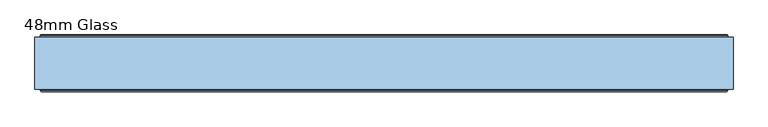
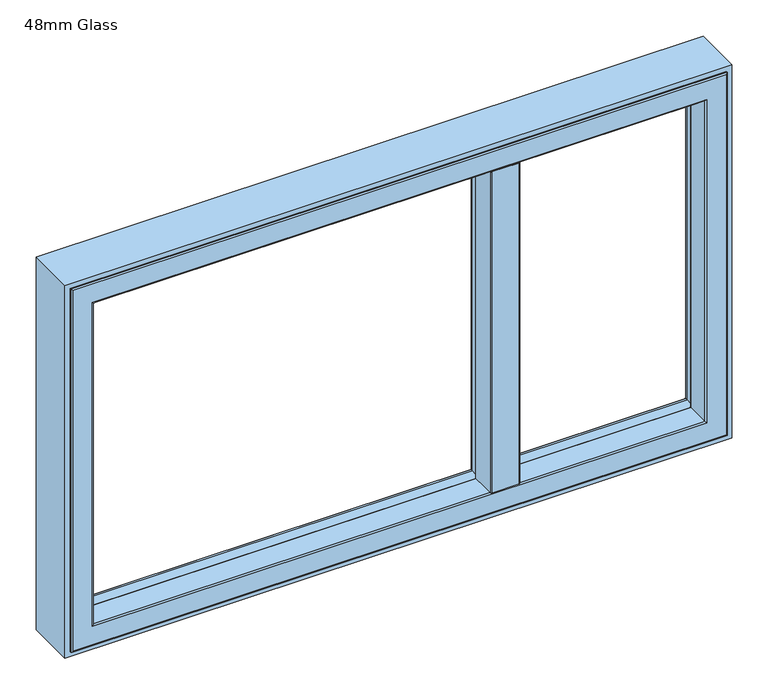
"""IFC4 building model written with IfcOpenShell, lengths in millimetres: window geometry, 48mm Glass."""

from ifc_helpers import new_model, si_unit, frame, origin, place, context, project, spatial, polyline, circle_curve, ellipse_curve, outline, extrude, source, transform, mapped, element, save
from ifc_brep_helpers import plane_surface, cylinder_surface, revolved_surface, advanced_brep


def window_48mm_glass_a3828046(model_context):
    return source(origin(), model_context, "Body", "SolidModel", [
        advanced_brep(
        [(221.6729121, 91.0, 862.0), (205.0, 91.0, 862.0), (205.0, 91.0, 1626.0), (221.6729121, 91.0, 1626.0), (205.0, 35.0, 862.0), (205.0, 35.0, 1626.0), (208.0, 32.0, 862.0), (268.0, 32.0, 862.0), (268.0, 32.0, 1626.0), (208.0, 32.0, 1626.0), (271.0, 35.0, 862.0), (271.0, 91.0, 862.0), (271.0, 91.0, 1626.0), (271.0, 35.0, 1626.0), (254.3270879, 91.0, 862.0), (254.3270879, 91.0, 1626.0), (252.8419376, 92.2894565, 843.8416747), (246.1893048, 146.5609347, 837.177975), (246.1893048, 146.5609347, 1650.822025), (252.8419376, 92.2894565, 1644.1583253), (229.8106952, 146.5609347, 837.177975), (223.1580624, 92.2894565, 843.8416747), (223.1580624, 92.2894565, 1644.1583253), (229.8106952, 146.5609347, 1650.822025), (221.6729121, 91.0, 844.0), (254.3270879, 91.0, 844.0), (245.4, 153.0, 836.4), (230.6, 153.0, 836.4), (231.6, 154.0, 836.4), (244.4, 154.0, 836.4), (230.6, 148.3029671, 836.9640803), (245.4, 148.3029671, 836.9640803), (254.3270879, 91.0, 1644.0), (221.6729121, 91.0, 1644.0), (230.6, 153.0, 1651.6), (245.4, 153.0, 1651.6), (244.4, 154.0, 1651.6), (231.6, 154.0, 1651.6), (245.4, 148.3029671, 1651.0359197), (230.6, 148.3029671, 1651.0359197)],
        [
            (0, 1),
            (1, 2),
            (2, 3),
            (3, 0),
            (1, 4),
            (4, 5),
            (5, 2),
            (6, 7),
            (7, 8),
            (8, 9),
            (9, 6),
            (10, 11),
            (11, 12),
            (12, 13),
            (13, 10),
            (11, 14),
            (14, 15),
            (15, 12),
            (16, 17),
            (17, 18),
            (18, 19),
            (19, 16),
            (20, 21),
            (21, 22),
            (22, 23),
            (23, 20),
            (14, 0),
            (0, 24),
            (24, 25),
            (25, 14),
            (10, 7, circle_curve(frame((268.0, 35.0, 862.0), z_axis=(0.0, 0.0, -1.0), x_axis=(1.0, 0.0, 0.0)), 3.0)),
            (6, 4, circle_curve(frame((208.0, 35.0, 862.0), z_axis=(0.0, 0.0, -1.0), x_axis=(1.0, 0.0, 0.0)), 3.0)),
            (26, 27),
            (27, 28, circle_curve(frame((231.6, 153.0, 836.4), z_axis=(0.0, 0.0, -1.0), x_axis=(1.0, 0.0, 0.0)), 1.0)),
            (28, 29),
            (29, 26, circle_curve(frame((244.4, 153.0, 836.4), z_axis=(0.0, 0.0, -1.0), x_axis=(1.0, 0.0, 0.0)), 1.0)),
            (24, 21, ellipse_curve(frame((221.6729121, 92.5, 843.8158232), z_axis=(0.0, 0.12186934340514982, 0.9925461516413218), x_axis=(0.0, 0.992546151641322, -0.12186934340514925)), 1.5112647, 1.5)),
            (20, 30),
            (30, 27),
            (26, 31),
            (31, 17),
            (16, 25, ellipse_curve(frame((254.3270879, 92.5, 843.8158232), z_axis=(0.0, 0.12186934340514982, 0.9925461516413218), x_axis=(0.0, 0.992546151641322, -0.12186934340514925)), 1.5112647, 1.5)),
            (3, 15),
            (15, 32),
            (32, 33),
            (33, 3),
            (5, 9, circle_curve(frame((208.0, 35.0, 1626.0), z_axis=(0.0, 0.0, 1.0), x_axis=(1.0, 0.0, 0.0)), 3.0)),
            (8, 13, circle_curve(frame((268.0, 35.0, 1626.0), z_axis=(0.0, 0.0, 1.0), x_axis=(1.0, 0.0, 0.0)), 3.0)),
            (34, 35),
            (35, 36, circle_curve(frame((244.4, 153.0, 1651.6), z_axis=(0.0, 0.0, 1.0), x_axis=(1.0, 0.0, 0.0)), 1.0)),
            (36, 37),
            (37, 34, circle_curve(frame((231.6, 153.0, 1651.6), z_axis=(0.0, 0.0, 1.0), x_axis=(1.0, 0.0, 0.0)), 1.0)),
            (32, 19, ellipse_curve(frame((254.3270879, 92.5, 1644.1841768), z_axis=(0.0, 0.12186934340515176, -0.9925461516413215), x_axis=(0.0, -0.9925461516413217, -0.12186934340515095)), 1.5112647, 1.5)),
            (18, 38),
            (38, 35),
            (34, 39),
            (39, 23),
            (22, 33, ellipse_curve(frame((221.6729121, 92.5, 1644.1841768), z_axis=(0.0, 0.12186934340515176, -0.9925461516413215), x_axis=(0.0, -0.9925461516413217, -0.12186934340515095)), 1.5112647, 1.5)),
            (31, 38),
            (26, 35),
            (29, 36),
            (28, 37),
            (27, 34),
            (30, 39),
        ],
        [
            plane_surface(frame((221.6729121, 91.0, 1676.0), z_axis=(0.0, 1.0, 0.0), x_axis=(0.0, 0.0, -1.0))),
            plane_surface(frame((205.0, 91.0, 1676.0), z_axis=(-1.0, 0.0, 0.0), x_axis=(0.0, 0.0, -1.0))),
            plane_surface(frame((208.0, 32.0, 1676.0), z_axis=(0.0, -1.0, 0.0), x_axis=(0.0, 0.0, -1.0))),
            plane_surface(frame((271.0, 35.0, 1676.0), z_axis=(1.0, 0.0, 0.0), x_axis=(0.0, 0.0, -1.0))),
            plane_surface(frame((271.0, 91.0, 1676.0), z_axis=(0.0, 1.0, 0.0), x_axis=(0.0, 0.0, -1.0))),
            plane_surface(frame((252.8419376, 92.2894565, 1676.0), z_axis=(0.992570614202236, 0.12166994625706033, 0.0), x_axis=(0.0, 0.0, -1.0))),
            plane_surface(frame((229.8106952, 146.5609347, 1676.0), z_axis=(-0.9925706142022382, 0.1216699462570421, 0.0), x_axis=(0.0, 0.0, -1.0))),
            plane_surface(frame((488.0, 91.0, 844.0), z_axis=(0.0, -1.0, 0.0), x_axis=(-1.0, 0.0, 0.0))),
            plane_surface(frame((488.0, 91.0, 862.0), z_axis=(0.0, 0.0, -1.0), x_axis=(-1.0, 0.0, 0.0))),
            plane_surface(frame((488.0, 154.0, 836.4), z_axis=(0.0, 0.0, -1.0), x_axis=(-1.0, 0.0, 0.0))),
            plane_surface(frame((488.0, 152.8970329, 836.4), z_axis=(0.0, -0.12186934340514982, -0.9925461516413218), x_axis=(-1.0, 0.0, 0.0))),
            plane_surface(frame((488.0, 91.0, 1626.0), z_axis=(0.0, -1.0, 0.0), x_axis=(-1.0, 0.0, 0.0))),
            plane_surface(frame((488.0, 32.0, 1626.0), z_axis=(0.0, 0.0, 1.0), x_axis=(-1.0, 0.0, 0.0))),
            plane_surface(frame((488.0, 152.8970329, 1651.6), z_axis=(0.0, 0.0, 1.0), x_axis=(-1.0, 0.0, 0.0))),
            plane_surface(frame((488.0, 91.0, 1644.0), z_axis=(0.0, -0.12186934340515176, 0.9925461516413215), x_axis=(-1.0, 0.0, 0.0))),
            revolved_surface(polyline([(223.1729121, 92.5, 843.6316463632995), (223.1729121, 92.5, 1644.3683536367002)]), (221.6729121, 92.5, 812.0), (0.0, 0.0, -1.0)),
            cylinder_surface(frame((208.0, 35.0, 812.0), z_axis=(0.0, 0.0, 1.0), x_axis=(1.0, 0.0, 0.0)), 3.0),
            cylinder_surface(frame((268.0, 35.0, 812.0), z_axis=(0.0, 0.0, 1.0), x_axis=(1.0, 0.0, 0.0)), 3.0),
            revolved_surface(polyline([(255.8270879, 92.5, 843.6316463632995), (255.8270879, 92.5, 1644.3683536367002)]), (254.3270879, 92.5, 812.0), (0.0, 0.0, -1.0)),
            plane_surface(frame((246.1893048, 146.5609347, 1676.0), z_axis=(0.9108637981505031, 0.4127070888885235, 0.0), x_axis=(0.0, 0.0, -1.0))),
            plane_surface(frame((245.4, 148.3029671, 1676.0), z_axis=(1.0, 0.0, 0.0), x_axis=(0.0, 0.0, -1.0))),
            cylinder_surface(frame((244.4, 153.0, 812.0), z_axis=(0.0, 0.0, 1.0), x_axis=(1.0, 0.0, 0.0)), 1.0),
            plane_surface(frame((244.4, 154.0, 1676.0), z_axis=(0.0, 1.0, 0.0), x_axis=(0.0, 0.0, -1.0))),
            cylinder_surface(frame((231.6, 153.0, 812.0), z_axis=(0.0, 0.0, 1.0), x_axis=(1.0, 0.0, 0.0)), 1.0),
            plane_surface(frame((230.6, 153.0, 1676.0), z_axis=(-1.0, 0.0, 0.0), x_axis=(0.0, 0.0, -1.0))),
            plane_surface(frame((230.6, 148.3029671, 1676.0), z_axis=(-0.9108637981452258, 0.41270708890017077, 0.0), x_axis=(0.0, 0.0, -1.0))),
        ],
        [
            (0, [[1, 2, 3, 4]]),
            (1, [[5, 6, 7, -2]]),
            (2, [[8, 9, 10, 11]]),
            (3, [[12, 13, 14, 15]]),
            (4, [[16, 17, 18, -13]]),
            (5, [[19, 20, 21, 22]]),
            (6, [[23, 24, 25, 26]]),
            (7, [[27, 28, 29, 30]]),
            (8, [[-27, -16, -12, 31, -8, 32, -5, -1]]),
            (9, [[33, 34, 35, 36]]),
            (10, [[-29, 37, -23, 38, 39, -33, 40, 41, -19, 42]]),
            (11, [[43, 44, 45, 46]]),
            (12, [[-43, -3, -7, 47, -10, 48, -14, -18]]),
            (13, [[49, 50, 51, 52]]),
            (14, [[-45, 53, -21, 54, 55, -49, 56, 57, -25, 58]]),
            (15, [[-28, -4, -46, -58, -24, -37]]),
            (16, [[-32, -11, -47, -6]]),
            (17, [[-31, -15, -48, -9]]),
            (18, [[-30, -42, -22, -53, -44, -17]]),
            (19, [[-41, 59, -54, -20]]),
            (20, [[-40, 60, -55, -59]]),
            (21, [[-36, 61, -50, -60]]),
            (22, [[-35, 62, -51, -61]]),
            (23, [[-34, 63, -52, -62]]),
            (24, [[-39, 64, -56, -63]]),
            (25, [[-38, -26, -57, -64]]),
        ],
    ),
        advanced_brep(
        [(-689.5, 91.0, 1627.5), (-688.0, 89.5, 1626.0), (-688.0, 89.5, 862.0), (-689.5, 91.0, 860.5), (-688.0, 35.0, 1626.0), (-688.0, 35.0, 862.0), (688.0, 89.5, 862.0), (689.5, 91.0, 860.5), (704.6498733, 91.0, 1642.6498733), (704.6498733, 91.0, 845.3501267), (-704.6498733, 91.0, 845.3501267), (-704.6498733, 91.0, 1642.6498733), (689.5, 91.0, 1627.5), (-706.1386925, 92.317196, 1644.1386925), (-706.1386925, 92.317196, 843.8613075), (706.1386925, 92.317196, 843.8613075), (-712.7857488, 146.453125, 1650.7857488), (-712.7857488, 146.453125, 837.2142512), (712.7857488, 146.453125, 837.2142512), (713.6, 146.453125, 1651.6), (713.6, 146.453125, 836.4), (-713.6, 146.453125, 836.4), (-713.6, 146.453125, 1651.6), (712.7857488, 146.453125, 1650.7857488), (-713.6, 153.0, 1651.6), (-713.6, 153.0, 836.4), (713.6, 153.0, 836.4), (-714.6, 154.0, 1652.6), (-714.6, 154.0, 835.4), (714.6, 154.0, 835.4), (737.0, 154.0, 1675.0), (737.0, 154.0, 813.0), (-737.0, 154.0, 813.0), (-737.0, 154.0, 1675.0), (714.6, 154.0, 1652.6), (-738.0, 153.0, 1676.0), (-738.0, 153.0, 812.0), (738.0, 153.0, 812.0), (-738.0, 35.0, 1676.0), (-738.0, 35.0, 812.0), (738.0, 35.0, 812.0), (-735.0, 32.0, 1673.0), (-735.0, 32.0, 815.0), (735.0, 32.0, 815.0), (735.0, 32.0, 1673.0), (691.0, 32.0, 1629.0), (691.0, 32.0, 859.0), (-691.0, 32.0, 859.0), (-691.0, 32.0, 1629.0), (688.0, 35.0, 862.0), (688.0, 89.5, 1626.0), (706.1386925, 92.317196, 1644.1386925), (713.6, 153.0, 1651.6), (738.0, 153.0, 1676.0), (738.0, 35.0, 1676.0), (688.0, 35.0, 1626.0)],
        [
            (0, 1, ellipse_curve(frame((-689.5, 89.5, 1627.5), z_axis=(-0.7071067811865475, 0.0, -0.7071067811865475), x_axis=(-0.7071067811865474, 0.0, 0.7071067811865476)), 2.1213203, 1.5)),
            (1, 2),
            (2, 3, ellipse_curve(frame((-689.5, 89.5, 860.5), z_axis=(-0.7071067811865475, 0.0, 0.7071067811865475), x_axis=(0.7071067811865474, 0.0, 0.7071067811865476)), 2.1213203, 1.5)),
            (3, 0),
            (1, 4),
            (4, 5),
            (5, 2),
            (2, 6),
            (6, 7, ellipse_curve(frame((689.5, 89.5, 860.5), z_axis=(-0.7071067811865475, 0.0, -0.7071067811865475), x_axis=(-0.7071067811865476, 0.0, 0.7071067811865474)), 2.1213203, 1.5)),
            (7, 3),
            (8, 9),
            (9, 10),
            (10, 11),
            (11, 8),
            (7, 12),
            (12, 0),
            (13, 11, ellipse_curve(frame((-704.6498733, 92.5, 1642.6498733), z_axis=(0.7071067811865475, 0.0, 0.7071067811865475), x_axis=(0.7071067811865474, 0.0, -0.7071067811865476)), 2.1213203, 1.5)),
            (10, 14, ellipse_curve(frame((-704.6498733, 92.5, 845.3501267), z_axis=(0.7071067811865475, 0.0, -0.7071067811865475), x_axis=(-0.7071067811865474, 0.0, -0.7071067811865476)), 2.1213203, 1.5)),
            (14, 13),
            (9, 15, ellipse_curve(frame((704.6498733, 92.5, 845.3501267), z_axis=(0.7071067811865475, 0.0, 0.7071067811865475), x_axis=(0.7071067811865476, 0.0, -0.7071067811865474)), 2.1213203, 1.5)),
            (15, 14),
            (16, 13),
            (14, 17),
            (17, 16),
            (15, 18),
            (18, 17),
            (19, 20),
            (20, 21),
            (21, 22),
            (22, 19),
            (18, 23),
            (23, 16),
            (24, 22),
            (21, 25),
            (25, 24),
            (20, 26),
            (26, 25),
            (27, 24, ellipse_curve(frame((-714.6, 153.0, 1652.6), z_axis=(-0.7071067811865475, 0.0, -0.7071067811865475), x_axis=(-0.7071067811865474, 0.0, 0.7071067811865476)), 1.4142136, 1.0)),
            (25, 28, ellipse_curve(frame((-714.6, 153.0, 835.4), z_axis=(-0.7071067811865475, 0.0, 0.7071067811865475), x_axis=(0.7071067811865474, 0.0, 0.7071067811865476)), 1.4142136, 1.0)),
            (28, 27),
            (26, 29, ellipse_curve(frame((714.6, 153.0, 835.4), z_axis=(-0.7071067811865475, 0.0, -0.7071067811865475), x_axis=(-0.7071067811865476, 0.0, 0.7071067811865474)), 1.4142136, 1.0)),
            (29, 28),
            (30, 31),
            (31, 32),
            (32, 33),
            (33, 30),
            (29, 34),
            (34, 27),
            (35, 33, ellipse_curve(frame((-737.0, 153.0, 1675.0), z_axis=(-0.7071067811865475, 0.0, -0.7071067811865475), x_axis=(-0.7071067811865474, 0.0, 0.7071067811865476)), 1.4142136, 1.0)),
            (32, 36, ellipse_curve(frame((-737.0, 153.0, 813.0), z_axis=(-0.7071067811865475, 0.0, 0.7071067811865475), x_axis=(0.7071067811865474, 0.0, 0.7071067811865476)), 1.4142136, 1.0)),
            (36, 35),
            (31, 37, ellipse_curve(frame((737.0, 153.0, 813.0), z_axis=(-0.7071067811865475, 0.0, -0.7071067811865475), x_axis=(-0.7071067811865476, 0.0, 0.7071067811865474)), 1.4142136, 1.0)),
            (37, 36),
            (38, 35),
            (36, 39),
            (39, 38),
            (37, 40),
            (40, 39),
            (41, 38, ellipse_curve(frame((-735.0, 35.0, 1673.0), z_axis=(-0.7071067811865475, 0.0, -0.7071067811865475), x_axis=(-0.7071067811865474, 0.0, 0.7071067811865476)), 4.2426407, 3.0)),
            (39, 42, ellipse_curve(frame((-735.0, 35.0, 815.0), z_axis=(-0.7071067811865475, 0.0, 0.7071067811865475), x_axis=(0.7071067811865474, 0.0, 0.7071067811865476)), 4.2426407, 3.0)),
            (42, 41),
            (40, 43, ellipse_curve(frame((735.0, 35.0, 815.0), z_axis=(-0.7071067811865475, 0.0, -0.7071067811865475), x_axis=(-0.7071067811865476, 0.0, 0.7071067811865474)), 4.2426407, 3.0)),
            (43, 42),
            (43, 44),
            (44, 41),
            (45, 46),
            (46, 47),
            (47, 48),
            (48, 45),
            (4, 48, ellipse_curve(frame((-691.0, 35.0, 1629.0), z_axis=(-0.7071067811865475, 0.0, -0.7071067811865475), x_axis=(-0.7071067811865474, 0.0, 0.7071067811865476)), 4.2426407, 3.0)),
            (47, 5, ellipse_curve(frame((-691.0, 35.0, 859.0), z_axis=(-0.7071067811865475, 0.0, 0.7071067811865475), x_axis=(0.7071067811865474, 0.0, 0.7071067811865476)), 4.2426407, 3.0)),
            (46, 49, ellipse_curve(frame((691.0, 35.0, 859.0), z_axis=(-0.7071067811865475, 0.0, -0.7071067811865475), x_axis=(-0.7071067811865476, 0.0, 0.7071067811865474)), 4.2426407, 3.0)),
            (49, 5),
            (49, 6),
            (6, 50),
            (50, 12, ellipse_curve(frame((689.5, 89.5, 1627.5), z_axis=(0.7071067811865475, 0.0, -0.7071067811865475), x_axis=(-0.7071067811865474, 0.0, -0.7071067811865476)), 2.1213203, 1.5)),
            (8, 51, ellipse_curve(frame((704.6498733, 92.5, 1642.6498733), z_axis=(-0.7071067811865475, 0.0, 0.7071067811865475), x_axis=(0.7071067811865474, 0.0, 0.7071067811865476)), 2.1213203, 1.5)),
            (51, 15),
            (51, 23),
            (19, 52),
            (52, 26),
            (52, 34, ellipse_curve(frame((714.6, 153.0, 1652.6), z_axis=(0.7071067811865475, 0.0, -0.7071067811865475), x_axis=(-0.7071067811865474, 0.0, -0.7071067811865476)), 1.4142136, 1.0)),
            (30, 53, ellipse_curve(frame((737.0, 153.0, 1675.0), z_axis=(0.7071067811865475, 0.0, -0.7071067811865475), x_axis=(-0.7071067811865474, 0.0, -0.7071067811865476)), 1.4142136, 1.0)),
            (53, 37),
            (53, 54),
            (54, 40),
            (54, 44, ellipse_curve(frame((735.0, 35.0, 1673.0), z_axis=(0.7071067811865475, 0.0, -0.7071067811865475), x_axis=(-0.7071067811865474, 0.0, -0.7071067811865476)), 4.2426407, 3.0)),
            (45, 55, ellipse_curve(frame((691.0, 35.0, 1629.0), z_axis=(0.7071067811865475, 0.0, -0.7071067811865475), x_axis=(-0.7071067811865474, 0.0, -0.7071067811865476)), 4.2426407, 3.0)),
            (55, 49),
            (55, 50),
            (50, 1),
            (13, 51),
            (24, 52),
            (35, 53),
            (38, 54),
            (4, 55),
        ],
        [
            cylinder_surface(frame((-689.5, 89.5, 1688.0), z_axis=(0.0, 0.0, 1.0), x_axis=(0.0, 1.0, 0.0)), 1.5),
            plane_surface(frame((-688.0, 35.0, 1626.0), z_axis=(1.0, 0.0, 0.0), x_axis=(0.0, 0.0, -1.0))),
            cylinder_surface(frame((-750.0, 89.5, 860.5), z_axis=(-1.0, 0.0, 0.0), x_axis=(0.0, 1.0, 0.0)), 1.5),
            plane_surface(frame((689.5, 91.0, 860.5), z_axis=(0.0, 1.0, 0.0), x_axis=(0.0, 0.0, 1.0))),
            revolved_surface(polyline([(-704.6498733, 94.0, 843.8501267308013), (-704.6498733, 94.0, 1644.1498732691987)]), (-704.6498733, 92.5, 1688.0), (0.0, 0.0, -1.0)),
            revolved_surface(polyline([(706.1498732691985, 94.0, 845.3501267), (-706.1498732691987, 94.0, 845.3501267)]), (-750.0, 92.5, 845.3501267), (1.0, 0.0, 0.0)),
            plane_surface(frame((-706.1386925, 92.317196, 1644.1386925), z_axis=(0.9925461516413235, 0.12186934340513574, 0.0), x_axis=(0.0, 0.0, -1.0))),
            plane_surface(frame((-706.1386925, 92.317196, 843.8613075), z_axis=(0.0, 0.12186934340513574, 0.9925461516413235), x_axis=(1.0, 0.0, 0.0))),
            plane_surface(frame((712.7857488, 146.453125, 837.2142512), z_axis=(0.0, 1.0, 0.0), x_axis=(0.0, 0.0, 1.0))),
            plane_surface(frame((-713.6, 146.453125, 1651.6), z_axis=(1.0, 0.0, 0.0), x_axis=(0.0, 0.0, -1.0))),
            plane_surface(frame((-713.6, 146.453125, 836.4), z_axis=(0.0, 0.0, 1.0), x_axis=(1.0, 0.0, 0.0))),
            cylinder_surface(frame((-714.6, 153.0, 1688.0), z_axis=(0.0, 0.0, 1.0), x_axis=(0.0, 1.0, 0.0)), 1.0),
            cylinder_surface(frame((-750.0, 153.0, 835.4), z_axis=(-1.0, 0.0, 0.0), x_axis=(0.0, 1.0, 0.0)), 1.0),
            plane_surface(frame((714.6, 154.0, 835.4), z_axis=(0.0, 1.0, 0.0), x_axis=(0.0, 0.0, 1.0))),
            cylinder_surface(frame((-737.0, 153.0, 1688.0), z_axis=(0.0, 0.0, 1.0), x_axis=(0.0, 1.0, 0.0)), 1.0),
            cylinder_surface(frame((-750.0, 153.0, 813.0), z_axis=(-1.0, 0.0, 0.0), x_axis=(0.0, 1.0, 0.0)), 1.0),
            plane_surface(frame((-738.0, 153.0, 1676.0), z_axis=(-1.0, 0.0, 0.0), x_axis=(0.0, 0.0, -1.0))),
            plane_surface(frame((-738.0, 153.0, 812.0), z_axis=(0.0, 0.0, -1.0), x_axis=(1.0, 0.0, 0.0))),
            cylinder_surface(frame((-735.0, 35.0, 1688.0), z_axis=(0.0, 0.0, 1.0), x_axis=(0.0, 1.0, 0.0)), 3.0),
            cylinder_surface(frame((-750.0, 35.0, 815.0), z_axis=(-1.0, 0.0, 0.0), x_axis=(0.0, 1.0, 0.0)), 3.0),
            plane_surface(frame((735.0, 32.0, 815.0), z_axis=(0.0, -1.0, 0.0), x_axis=(0.0, 0.0, 1.0))),
            cylinder_surface(frame((-691.0, 35.0, 1688.0), z_axis=(0.0, 0.0, 1.0), x_axis=(0.0, 1.0, 0.0)), 3.0),
            cylinder_surface(frame((-750.0, 35.0, 859.0), z_axis=(-1.0, 0.0, 0.0), x_axis=(0.0, 1.0, 0.0)), 3.0),
            plane_surface(frame((-688.0, 35.0, 862.0), z_axis=(0.0, 0.0, 1.0), x_axis=(1.0, 0.0, 0.0))),
            cylinder_surface(frame((689.5, 89.5, 800.0), z_axis=(0.0, 0.0, -1.0), x_axis=(0.0, 1.0, 0.0)), 1.5),
            revolved_surface(polyline([(704.6498733, 94.0, 1644.149873269199), (704.6498733, 94.0, 843.8501267308013)]), (704.6498733, 92.5, 800.0), (0.0, 0.0, 1.0)),
            plane_surface(frame((706.1386925, 92.317196, 843.8613075), z_axis=(-0.9925461516413235, 0.12186934340513574, 0.0), x_axis=(0.0, 0.0, 1.0))),
            plane_surface(frame((713.6, 146.453125, 836.4), z_axis=(-1.0, 0.0, 0.0), x_axis=(0.0, 0.0, 1.0))),
            cylinder_surface(frame((714.6, 153.0, 800.0), z_axis=(0.0, 0.0, -1.0), x_axis=(0.0, 1.0, 0.0)), 1.0),
            cylinder_surface(frame((737.0, 153.0, 800.0), z_axis=(0.0, 0.0, -1.0), x_axis=(0.0, 1.0, 0.0)), 1.0),
            plane_surface(frame((738.0, 153.0, 812.0), z_axis=(1.0, 0.0, 0.0), x_axis=(0.0, 0.0, 1.0))),
            cylinder_surface(frame((735.0, 35.0, 800.0), z_axis=(0.0, 0.0, -1.0), x_axis=(0.0, 1.0, 0.0)), 3.0),
            cylinder_surface(frame((691.0, 35.0, 800.0), z_axis=(0.0, 0.0, -1.0), x_axis=(0.0, 1.0, 0.0)), 3.0),
            plane_surface(frame((688.0, 35.0, 862.0), z_axis=(-1.0, 0.0, 0.0), x_axis=(0.0, 0.0, 1.0))),
            cylinder_surface(frame((750.0, 89.5, 1627.5), z_axis=(1.0, 0.0, 0.0), x_axis=(0.0, 1.0, 0.0)), 1.5),
            revolved_surface(polyline([(-706.1498732691985, 94.0, 1642.6498733), (706.1498732691987, 94.0, 1642.6498733)]), (750.0, 92.5, 1642.6498733), (-1.0, 0.0, 0.0)),
            plane_surface(frame((706.1386925, 92.317196, 1644.1386925), z_axis=(0.0, 0.12186934340513574, -0.9925461516413235), x_axis=(-1.0, 0.0, 0.0))),
            plane_surface(frame((713.6, 146.453125, 1651.6), z_axis=(0.0, 0.0, -1.0), x_axis=(-1.0, 0.0, 0.0))),
            cylinder_surface(frame((750.0, 153.0, 1652.6), z_axis=(1.0, 0.0, 0.0), x_axis=(0.0, 1.0, 0.0)), 1.0),
            cylinder_surface(frame((750.0, 153.0, 1675.0), z_axis=(1.0, 0.0, 0.0), x_axis=(0.0, 1.0, 0.0)), 1.0),
            plane_surface(frame((738.0, 153.0, 1676.0), z_axis=(0.0, 0.0, 1.0), x_axis=(-1.0, 0.0, 0.0))),
            cylinder_surface(frame((750.0, 35.0, 1673.0), z_axis=(1.0, 0.0, 0.0), x_axis=(0.0, 1.0, 0.0)), 3.0),
            cylinder_surface(frame((750.0, 35.0, 1629.0), z_axis=(1.0, 0.0, 0.0), x_axis=(0.0, 1.0, 0.0)), 3.0),
            plane_surface(frame((688.0, 35.0, 1626.0), z_axis=(0.0, 0.0, -1.0), x_axis=(-1.0, 0.0, 0.0))),
        ],
        [
            (0, [[1, 2, 3, 4]]),
            (1, [[5, 6, 7, -2]]),
            (2, [[-3, 8, 9, 10]]),
            (3, [[11, 12, 13, 14], [-4, -10, 15, 16]]),
            (4, [[17, -13, 18, 19]]),
            (5, [[-18, -12, 20, 21]]),
            (6, [[22, -19, 23, 24]]),
            (7, [[-23, -21, 25, 26]]),
            (8, [[27, 28, 29, 30], [-24, -26, 31, 32]]),
            (9, [[33, -29, 34, 35]]),
            (10, [[-34, -28, 36, 37]]),
            (11, [[38, -35, 39, 40]]),
            (12, [[-39, -37, 41, 42]]),
            (13, [[43, 44, 45, 46], [-40, -42, 47, 48]]),
            (14, [[49, -45, 50, 51]]),
            (15, [[-50, -44, 52, 53]]),
            (16, [[54, -51, 55, 56]]),
            (17, [[-55, -53, 57, 58]]),
            (18, [[59, -56, 60, 61]]),
            (19, [[-60, -58, 62, 63]]),
            (20, [[-61, -63, 64, 65], [66, 67, 68, 69]]),
            (21, [[70, -68, 71, -6]]),
            (22, [[-71, -67, 72, 73]]),
            (23, [[-7, -73, 74, -8]]),
            (24, [[-9, 75, 76, -15]]),
            (25, [[-20, -11, 77, 78]]),
            (26, [[-25, -78, 79, -31]]),
            (27, [[-36, -27, 80, 81]]),
            (28, [[-41, -81, 82, -47]]),
            (29, [[-52, -43, 83, 84]]),
            (30, [[-57, -84, 85, 86]]),
            (31, [[-62, -86, 87, -64]]),
            (32, [[-72, -66, 88, 89]]),
            (33, [[-74, -89, 90, -75]]),
            (34, [[-76, 91, -1, -16]]),
            (35, [[-77, -14, -17, 92]]),
            (36, [[-79, -92, -22, -32]]),
            (37, [[-80, -30, -33, 93]]),
            (38, [[-82, -93, -38, -48]]),
            (39, [[-83, -46, -49, 94]]),
            (40, [[-85, -94, -54, 95]]),
            (41, [[-87, -95, -59, -65]]),
            (42, [[-88, -69, -70, 96]]),
            (43, [[-90, -96, -5, -91]]),
        ],
    ),
        extrude(outline(polyline([(1688.0, -750.0), (800.0, -750.0), (800.0, 750.0), (1688.0, 750.0), (1688.0, -750.0)]), holes=[polyline([(1676.0, 738.0), (812.0, 738.0), (812.0, -738.0), (1676.0, -738.0), (1676.0, 738.0)])]), frame((0.0, 37.0, 0.0), z_axis=(0.0, 1.0, 0.0), x_axis=(0.0, 0.0, 1.0)), (0.0, 0.0, 1.0), 112.0),
    ])


if __name__ == "__main__":
    model = new_model("IFC4")
    model_context = context("Model", 3, world=origin())
    ifc_project = project(units=[si_unit("LENGTHUNIT", "METRE", prefix="MILLI")], contexts=[model_context])
    site = spatial("IfcSite", under=ifc_project)
    building = spatial("IfcBuilding", under=site)
    placement = place(None, origin())
    window_48mm_glass_shape = window_48mm_glass_a3828046(model_context)
    element("IfcWindow", 1, ObjectType="48mm Glass", at=placement, inside=building, context=model_context, shape_type="MappedRepresentation", body=[
        mapped(window_48mm_glass_shape, transform((0.0, 0.0, 0.0), x_axis=(1.0, 0.0, 0.0), y_axis=(0.0, 1.0, 0.0), z_axis=(0.0, 0.0, 1.0))),
    ])
    save(model, "model.ifc")
